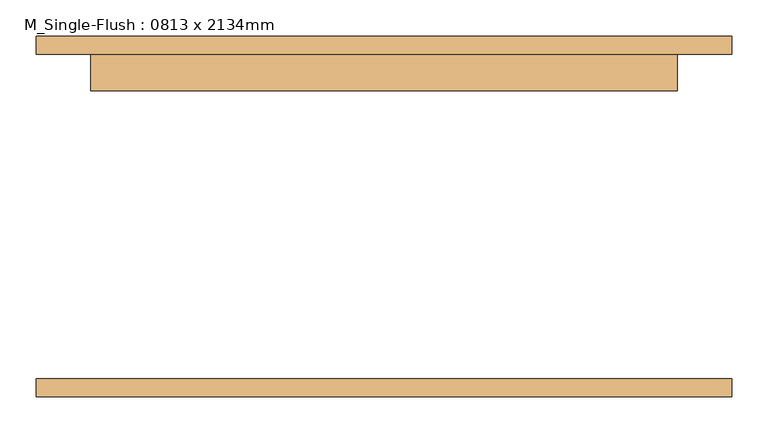
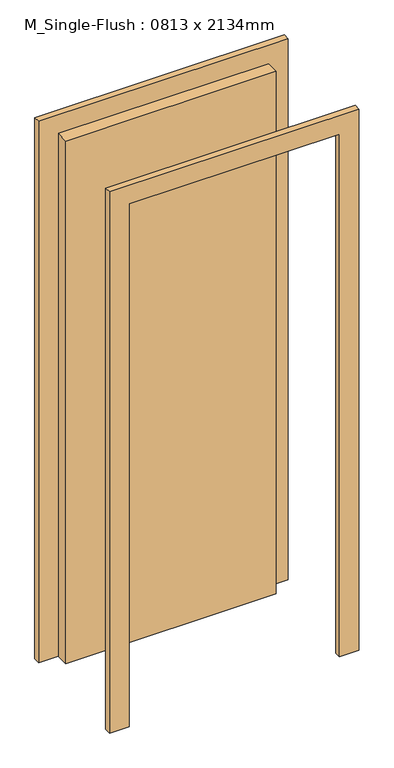
"""IFC4 building model written with IfcOpenShell, lengths in millimetres: door geometry, M_Single-Flush : 0813 x 2134mm."""

from ifc_helpers import new_model, si_unit, frame, origin, origin_with_axes, place, context, project, spatial, polyline, outline, extrude, source, transform, mapped, element, save


def m_single_flush_0813_x_2134mm_43e3e45f(model_context):
    return source(origin(), model_context, "Body", "SweptSolid", [
        extrude(outline(polyline([(2210.0, -482.5), (0.0, -482.5), (0.0, -406.5), (2134.0, -406.5), (2134.0, 406.5), (0.0, 406.5), (0.0, 482.5), (2210.0, 482.5), (2210.0, -482.5)])), frame((0.0, 225.0, 0.0), z_axis=(0.0, 1.0, 0.0), x_axis=(0.0, 0.0, 1.0)), (0.0, 0.0, 1.0), 25.0),
        extrude(outline(polyline([(2210.0, 482.5), (2210.0, -482.5), (0.0, -482.5), (0.0, -406.5), (2134.0, -406.5), (2134.0, 406.5), (0.0, 406.5), (0.0, 482.5), (2210.0, 482.5)])), frame((0.0, -250.0, 0.0), z_axis=(0.0, 1.0, 0.0), x_axis=(0.0, 0.0, 1.0)), (0.0, 0.0, 1.0), 25.0),
        extrude(outline(polyline([(406.5, 174.0), (-406.5, 174.0), (-406.5, 225.0), (406.5, 225.0), (406.5, 174.0)])), origin_with_axes(), (0.0, 0.0, 1.0), 2134.0),
    ])


if __name__ == "__main__":
    model = new_model("IFC4")
    model_context = context("Model", 3, world=origin())
    ifc_project = project(units=[si_unit("LENGTHUNIT", "METRE", prefix="MILLI")], contexts=[model_context])
    site = spatial("IfcSite", under=ifc_project)
    building = spatial("IfcBuilding", under=site)
    placement = place(None, origin())
    m_single_flush_0813_x_2134mm_shape = m_single_flush_0813_x_2134mm_43e3e45f(model_context)
    element("IfcDoor", 1, ObjectType="M_Single-Flush : 0813 x 2134mm", at=placement, inside=building, context=model_context, shape_type="MappedRepresentation", body=[
        mapped(m_single_flush_0813_x_2134mm_shape, transform((0.0, 0.0, 0.0), x_axis=(1.0, 0.0, 0.0), y_axis=(0.0, 1.0, 0.0), z_axis=(0.0, 0.0, 1.0))),
    ])
    save(model, "model.ifc")
